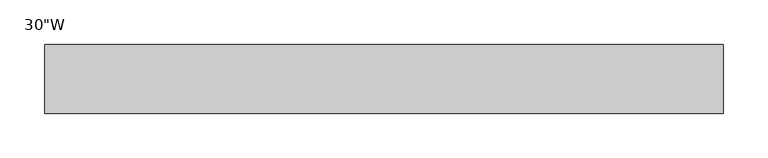
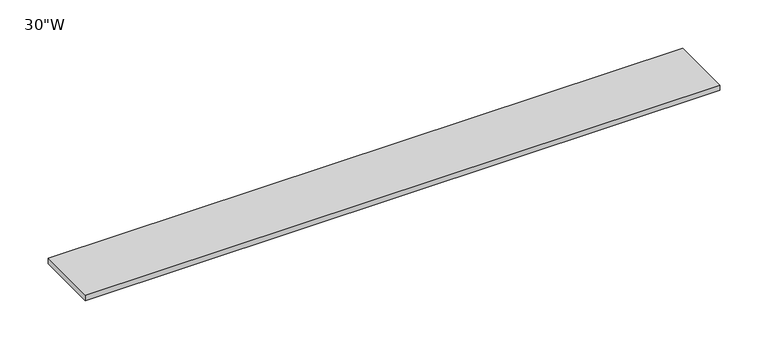
"""IFC4 building model written with IfcOpenShell, lengths in millimetres: furniture geometry."""

from ifc_helpers import new_model, si_unit, frame, origin, place, context, project, spatial, polyline, outline, extrude, source, transform, mapped, element, save


def furniture_b1a67038(model_context):
    return source(origin(), model_context, "Body", "SweptSolid", [
        extrude(outline(polyline([(325.01205, 38.735), (325.01205, -38.735), (-436.98795, -38.735), (-436.98795, 38.735), (325.01205, 38.735)])), frame((0.0, 0.0, 1048.766), z_axis=(0.0, 0.0, 1.0), x_axis=(1.0, 0.0, 0.0)), (0.0, 0.0, 1.0), 6.858),
    ])


if __name__ == "__main__":
    model = new_model("IFC4")
    model_context = context("Model", 3, world=origin())
    ifc_project = project(units=[si_unit("LENGTHUNIT", "METRE", prefix="MILLI")], contexts=[model_context])
    site = spatial("IfcSite", under=ifc_project)
    building = spatial("IfcBuilding", under=site)
    placement = place(None, origin())
    furniture_shape = furniture_b1a67038(model_context)
    element("IfcFurniture", 1, ObjectType="30\"W", at=placement, inside=building, context=model_context, shape_type="MappedRepresentation", body=[
        mapped(furniture_shape, transform((0.0, 0.0, 0.0), x_axis=(1.0, 0.0, 0.0), y_axis=(0.0, 1.0, 0.0), z_axis=(0.0, 0.0, 1.0))),
    ])
    save(model, "model.ifc")
